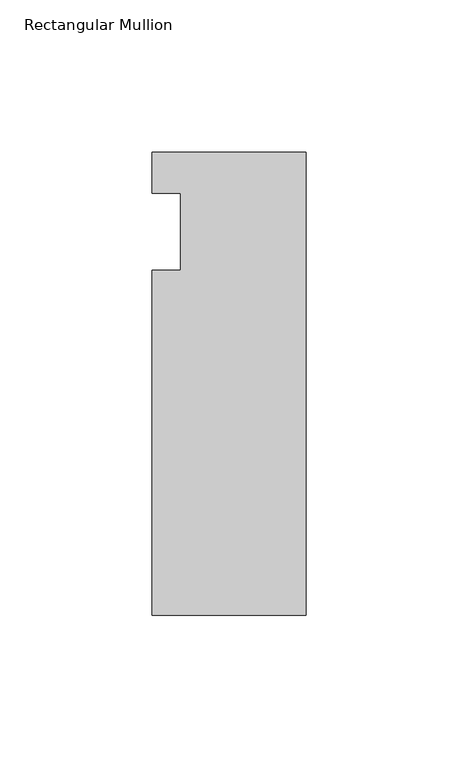
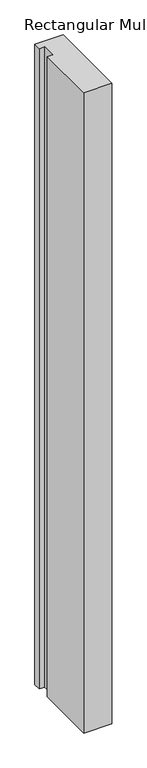
"""IFC4 building model written with IfcOpenShell, lengths in millimetres: member geometry, Rectangular Mullion."""

from ifc_helpers import new_model, si_unit, frame, origin, place, context, project, spatial, polyline, outline, extrude, source, transform, mapped, element, save


def rectangular_mullion_e15f747d(model_context):
    return source(origin(), model_context, "Body", "SweptSolid", [
        extrude(outline(polyline([(-25.4, 26.19375), (25.4, 26.19375), (25.4, -126.20625), (-25.4, -126.20625), (-25.4, -12.7), (-15.875, -12.7), (-15.875, 12.7), (-25.4, 12.7), (-25.4, 26.19375)])), frame((0.0, 0.0, -1219.2), z_axis=(0.0, 0.0, 1.0), x_axis=(1.0, 0.0, 0.0)), (0.0, 0.0, 1.0), 1219.2),
    ])


if __name__ == "__main__":
    model = new_model("IFC4")
    model_context = context("Model", 3, world=origin())
    ifc_project = project(units=[si_unit("LENGTHUNIT", "METRE", prefix="MILLI")], contexts=[model_context])
    site = spatial("IfcSite", under=ifc_project)
    building = spatial("IfcBuilding", under=site)
    placement = place(None, origin())
    rectangular_mullion_shape = rectangular_mullion_e15f747d(model_context)
    element("IfcMember", 1, ObjectType="Rectangular Mullion", at=placement, inside=building, context=model_context, shape_type="MappedRepresentation", body=[
        mapped(rectangular_mullion_shape, transform((0.0, 0.0, 0.0), x_axis=(1.0, 0.0, 0.0), y_axis=(0.0, 1.0, 0.0), z_axis=(0.0, 0.0, 1.0))),
    ])
    save(model, "model.ifc")
